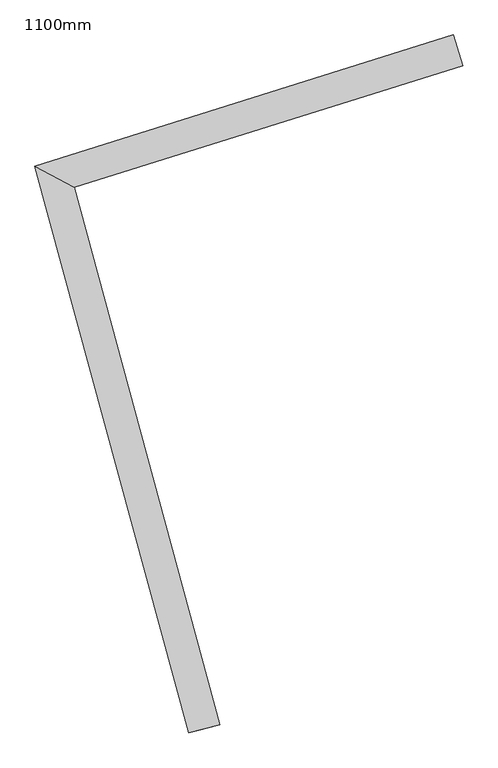
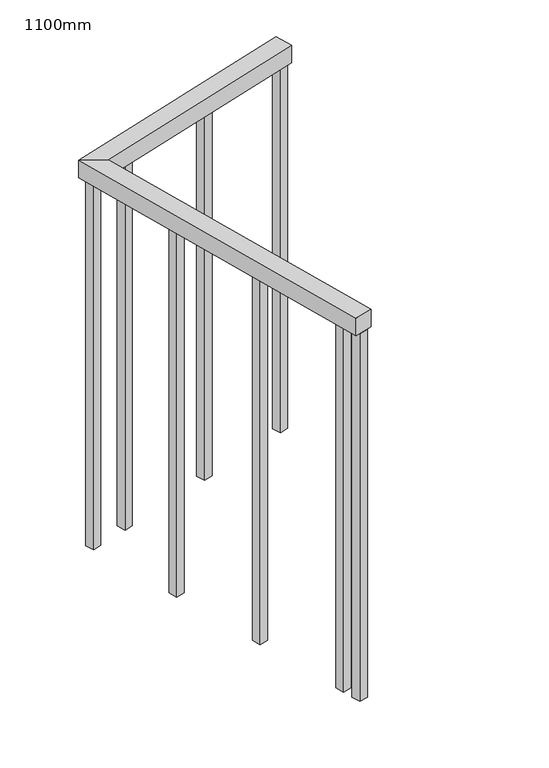
"""IFC4 building model written with IfcOpenShell, lengths in millimetres: railing geometry, 1100mm."""

import ifcopenshell
import ifcopenshell.guid

model = None  # the IFC model being written
_history = None  # IfcOwnerHistory: only IFC2X3 demands one
_inside = {}  # id of a spatial element -> (the spatial element, [elements in it])
_under = {}  # id of a project, library or spatial element -> (it, [spatial elements below it])
_declared = {}  # id of a project -> (the project, [libraries it declares])
_typed = {}  # id of a type object -> (the type object, [elements of that type])
_made_of = {}  # id of a material, layer set ... -> (it, [elements and type objects made of it])


def new_model(schema):
    """Start an empty IFC model of exactly this schema.

    Asked for "IFC4X3", IfcOpenShell would pick the latest addendum, in which some entities
    have other attributes; the version numbers below select the first issue.
    IFC2X3 requires an IfcOwnerHistory on every rooted entity: one is made here for all.
    """
    global model, _history
    if schema == "IFC4X3":
        model = ifcopenshell.file(schema_version=(4, 3, 0, 0))
    else:
        model = ifcopenshell.file(schema=schema)
    _inside.clear()
    _under.clear()
    _declared.clear()
    _typed.clear()
    _made_of.clear()
    _history = None
    if model.schema == "IFC2X3":
        org = make("IfcOrganization", Name="unknown")
        user = make(
            "IfcPersonAndOrganization",
            ThePerson=make("IfcPerson", FamilyName="unknown"),
            TheOrganization=org,
        )
        app = make(
            "IfcApplication",
            ApplicationDeveloper=org,
            Version="unknown",
            ApplicationFullName="unknown",
            ApplicationIdentifier="unknown",
        )
        _history = make(
            "IfcOwnerHistory",
            OwningUser=user,
            OwningApplication=app,
            ChangeAction="ADDED",
            CreationDate=0,
        )
    return model


def make(cls, **values):
    """One entity of the class cls with the attributes given. An attribute that is None is left unset."""
    return model.create_entity(
        cls, **{name: value for name, value in values.items() if value is not None}
    )


def rooted(cls, **values):
    """An entity with a GlobalId (a new one), such as an element, a storey or a relation."""
    return make(cls, GlobalId=ifcopenshell.guid.new(), OwnerHistory=_history, **values)


def si_unit(unit_type, name, prefix=None):
    """IfcSIUnit, for example si_unit("LENGTHUNIT", "METRE", prefix="MILLI")."""
    return make("IfcSIUnit", UnitType=unit_type, Prefix=prefix, Name=name)


def assignment(units):
    """IfcUnitAssignment: the units of a project."""
    return None if units is None else make("IfcUnitAssignment", Units=units)


def point(xyz):
    """IfcCartesianPoint."""
    return None if xyz is None else make("IfcCartesianPoint", Coordinates=xyz)


def direction(xyz):
    """IfcDirection."""
    return None if xyz is None else make("IfcDirection", DirectionRatios=xyz)


def frame(location, z_axis=None, x_axis=None):
    """IfcAxis2Placement3D, a coordinate frame: its origin and axes. An axis left out is left unset."""
    return make(
        "IfcAxis2Placement3D",
        Location=point(location),
        Axis=direction(z_axis),
        RefDirection=direction(x_axis),
    )


def origin():
    """The frame at (0, 0, 0) with its axes left unset."""
    return frame((0.0, 0.0, 0.0))


def place(relative_to, where):
    """IfcLocalPlacement: puts the frame where relative to a parent placement (None: the world)."""
    return make(
        "IfcLocalPlacement", PlacementRelTo=relative_to, RelativePlacement=where
    )


def context(
    kind, dimensions, precision=None, world=None, true_north=None, identifier=None
):
    """IfcGeometricRepresentationContext, for example the 3D "Model" context."""
    return make(
        "IfcGeometricRepresentationContext",
        ContextIdentifier=identifier,
        ContextType=kind,
        CoordinateSpaceDimension=dimensions,
        Precision=precision,
        WorldCoordinateSystem=world,
        TrueNorth=true_north,
    )


def project(units=None, contexts=None):
    """IfcProject with its units and contexts."""
    return rooted(
        "IfcProject",
        Name="project",
        RepresentationContexts=contexts,
        UnitsInContext=assignment(units),
    )


def spatial(cls, under=None, at=None, **own):
    """A site, building, storey or space (cls), placed at a placement, below another one or the project."""
    s = rooted(cls, ObjectPlacement=at, **own)
    if under is not None:
        _under.setdefault(under.id(), (under, []))[1].append(s)
    return s


def polyline(points):
    """IfcPolyline through the points."""
    return make("IfcPolyline", Points=[point(p) for p in points])


def outline(outer, holes=None, kind="AREA"):
    """IfcArbitraryClosedProfileDef: a profile drawn as a closed curve; with holes, ...WithVoids."""
    if holes is None:
        return make("IfcArbitraryClosedProfileDef", ProfileType=kind, OuterCurve=outer)
    return make(
        "IfcArbitraryProfileDefWithVoids",
        ProfileType=kind,
        OuterCurve=outer,
        InnerCurves=holes,
    )


def extrude(swept, where, along, depth):
    """IfcExtrudedAreaSolid: the profile swept, set in the frame where, extruded along a direction by depth."""
    return make(
        "IfcExtrudedAreaSolid",
        SweptArea=swept,
        Position=where,
        ExtrudedDirection=direction(along),
        Depth=depth,
    )


def faces_of(points, faces, orient=None, outer=None):
    """IfcFace entities. A face is a list of loops; a loop is a list of indices into points, from 0.

    orient and outer hold one flag for each loop. By default every Orientation is true, the
    first loop of a face is its IfcFaceOuterBound and the others are IfcFaceBound.
    """
    made = []
    for i, loops in enumerate(faces):
        bounds = []
        for j, loop in enumerate(loops):
            is_outer = j == 0 if outer is None else outer[i][j]
            bounds.append(
                make(
                    "IfcFaceOuterBound" if is_outer else "IfcFaceBound",
                    Bound=make("IfcPolyLoop", Polygon=[points[k] for k in loop]),
                    Orientation=True if orient is None else orient[i][j],
                )
            )
        made.append(make("IfcFace", Bounds=bounds))
    return made


def faceted_brep(points, faces, orient=None, outer=None, voids=None):
    """IfcFacetedBrep: a solid bounded by flat faces; with voids (closed shells), ...WithVoids."""
    shared = [point(p) for p in points]
    hull = make("IfcClosedShell", CfsFaces=faces_of(shared, faces, orient, outer))
    if voids is None:
        return make("IfcFacetedBrep", Outer=hull)
    return make(
        "IfcFacetedBrepWithVoids",
        Outer=hull,
        Voids=[
            make(cls, CfsFaces=faces_of(shared, fs, o, b)) for cls, fs, o, b in voids
        ],
    )


def shape(context_of_items, identifier, shape_type, items):
    """IfcShapeRepresentation: the items that make up one representation, for example the "Body"."""
    return make(
        "IfcShapeRepresentation",
        ContextOfItems=context_of_items,
        RepresentationIdentifier=identifier,
        RepresentationType=shape_type,
        Items=items,
    )


def source(mapping_origin, context_of_items, identifier, shape_type, items):
    """IfcRepresentationMap: a shape defined once, which mapped items show again and again."""
    return make(
        "IfcRepresentationMap",
        MappingOrigin=mapping_origin,
        MappedRepresentation=shape(context_of_items, identifier, shape_type, items),
    )


def transform(
    local_origin,
    x_axis=None,
    y_axis=None,
    z_axis=None,
    scale=None,
    scale2=None,
    scale3=None,
    uniform=True,
):
    """IfcCartesianTransformationOperator3D, or its non-uniform kind. x_axis, y_axis, z_axis: its Axis1, 2, 3."""
    if uniform:
        return make(
            "IfcCartesianTransformationOperator3D",
            Axis1=direction(x_axis),
            Axis2=direction(y_axis),
            LocalOrigin=point(local_origin),
            Scale=scale,
            Axis3=direction(z_axis),
        )
    return make(
        "IfcCartesianTransformationOperator3DnonUniform",
        Axis1=direction(x_axis),
        Axis2=direction(y_axis),
        LocalOrigin=point(local_origin),
        Scale=scale,
        Axis3=direction(z_axis),
        Scale2=scale2,
        Scale3=scale3,
    )


def mapped(mapping_source, mapping_target):
    """IfcMappedItem: shows the shape of a source again, moved by a transform."""
    return make(
        "IfcMappedItem", MappingSource=mapping_source, MappingTarget=mapping_target
    )


def made_of(thing, what):
    """Note that an element or type object is made of a material, layer set ...; save() writes the relation."""
    if what is not None:
        _made_of.setdefault(what.id(), (what, []))[1].append(thing)
    return thing


def element(
    cls,
    number,
    at=None,
    inside=None,
    cuts=None,
    type_object=None,
    material=None,
    context=None,
    identifier="Body",
    shape_type=None,
    held_by="IfcProductDefinitionShape",
    body=None,
    shapes=None,
    **own,
):
    """One element of the class cls, such as IfcWall. Its Tag is "e" and its number.

    at: its placement. inside: the storey or other place that contains it. cuts: it is an
    opening in that element (IfcRelVoidsElement). A single representation is given by context,
    identifier, shape_type and body (its items); several are given by shapes. held_by: the class
    of the entity that holds the representations. save() writes the other relations.
    """
    e = rooted(cls, Tag="e%d" % number, ObjectPlacement=at, **own)
    if body is not None:
        shapes = [shape(context, identifier, shape_type, body)]
    if shapes is not None:
        e.Representation = make(held_by, Representations=shapes)
    if inside is not None:
        _inside.setdefault(inside.id(), (inside, []))[1].append(e)
    if cuts is not None:
        rooted(
            "IfcRelVoidsElement", RelatingBuildingElement=cuts, RelatedOpeningElement=e
        )
    if type_object is not None:
        _typed.setdefault(type_object.id(), (type_object, []))[1].append(e)
    return made_of(e, material)


def aggregate(whole, parts):
    """IfcRelAggregates: a whole, such as a stair, and the parts it consists of."""
    return rooted("IfcRelAggregates", RelatingObject=whole, RelatedObjects=parts)


def save(model, path):
    """Write the relations noted so far, then the file.

    IfcRelAggregates (storeys below a building ...), IfcRelContainedInSpatialStructure (elements
    in a storey), IfcRelDefinesByType, IfcRelAssociatesMaterial and IfcRelDeclares: one each for
    every whole, place, type object, material and project.
    """
    for whole, parts in _under.values():
        aggregate(whole, parts)
    for where, things in _inside.values():
        rooted(
            "IfcRelContainedInSpatialStructure",
            RelatedElements=things,
            RelatingStructure=where,
        )
    for kind, things in _typed.values():
        rooted("IfcRelDefinesByType", RelatedObjects=things, RelatingType=kind)
    for what, things in _made_of.values():
        rooted("IfcRelAssociatesMaterial", RelatedObjects=things, RelatingMaterial=what)
    for by, libraries in _declared.values():
        rooted("IfcRelDeclares", RelatingContext=by, RelatedDefinitions=libraries)
    model.write(path)


def railing_1100mm_f142ea74(model_context):
    return source(origin(), model_context, "Body", "SolidModel", [
        faceted_brep([(110052.5388707, 19744.6587082, 1700.0), (110052.5388707, 19744.6587082, 1650.0), (110037.5769767, 19792.3676353, 1650.0), (110037.5769767, 19792.3676353, 1700.0), (109386.3332835, 19588.132502, 1700.0), (109447.2017593, 19554.8202392, 1700.0), (109386.3332835, 19588.132502, 1650.0), (109447.2017593, 19554.8202392, 1650.0), (109674.4984482, 18718.5707795, 1700.0), (109626.2489776, 18705.4563377, 1700.0), (109626.2489776, 18705.4563377, 1650.0), (109674.4984482, 18718.5707795, 1650.0)], [[[0, 1, 2, 3]], [[0, 3, 4, 5]], [[3, 2, 6, 4]], [[2, 1, 7, 6]], [[1, 0, 5, 7]], [[8, 9, 10, 11]], [[5, 4, 9, 8]], [[4, 6, 10, 9]], [[6, 7, 11, 10]], [[7, 5, 8, 11]]]),
        extrude(outline(polyline([(109641.9395692, 18790.7010835), (109648.4967901, 18766.5763482), (109624.3720548, 18760.0191273), (109617.8148339, 18784.1438626), (109641.9395692, 18790.7010835)])), frame((0.0, 0.0, 600.0), z_axis=(0.0, 0.0, 1.0), x_axis=(1.0, 0.0, 0.0)), (0.0, 0.0, 1.0), 1050.0),
        extrude(outline(polyline([(109569.810139, 19056.0731719), (109576.3673599, 19031.9484366), (109552.2426246, 19025.3912157), (109545.6854037, 19049.515951), (109569.810139, 19056.0731719)])), frame((0.0, 0.0, 600.0), z_axis=(0.0, 0.0, 1.0), x_axis=(1.0, 0.0, 0.0)), (0.0, 0.0, 1.0), 1050.0),
        extrude(outline(polyline([(109497.6807088, 19321.4452603), (109504.2379297, 19297.320525), (109480.1131944, 19290.7633041), (109473.5559735, 19314.8880394), (109497.6807088, 19321.4452603)])), frame((0.0, 0.0, 600.0), z_axis=(0.0, 0.0, 1.0), x_axis=(1.0, 0.0, 0.0)), (0.0, 0.0, 1.0), 1050.0),
        extrude(outline(polyline([(109535.9274305, 19595.7455796), (109512.0729669, 19588.2646326), (109504.5920199, 19612.1190962), (109528.4464835, 19619.6000432), (109535.9274305, 19595.7455796)])), frame((0.0, 0.0, 600.0), z_axis=(0.0, 0.0, 1.0), x_axis=(1.0, 0.0, 0.0)), (0.0, 0.0, 1.0), 1050.0),
        extrude(outline(polyline([(109798.3265297, 19678.0359966), (109774.4720661, 19670.5550496), (109766.9911191, 19694.4095131), (109790.8455827, 19701.8904601), (109798.3265297, 19678.0359966)])), frame((0.0, 0.0, 600.0), z_axis=(0.0, 0.0, 1.0), x_axis=(1.0, 0.0, 0.0)), (0.0, 0.0, 1.0), 1050.0),
        extrude(outline(polyline([(109432.4352267, 19563.2896123), (109408.5807631, 19555.8086653), (109401.0998161, 19579.6631289), (109424.9542797, 19587.1440759), (109432.4352267, 19563.2896123)])), frame((0.0, 0.0, 600.0), z_axis=(0.0, 0.0, 1.0), x_axis=(1.0, 0.0, 0.0)), (0.0, 0.0, 1.0), 1050.0),
        extrude(outline(polyline([(109655.8788596, 18739.4169044), (109662.4360805, 18715.2921691), (109638.3113452, 18708.7349482), (109631.7541243, 18732.8596835), (109655.8788596, 18739.4169044)])), frame((0.0, 0.0, 600.0), z_axis=(0.0, 0.0, 1.0), x_axis=(1.0, 0.0, 0.0)), (0.0, 0.0, 1.0), 1050.0),
        extrude(outline(polyline([(110048.7983972, 19756.58594), (110024.9439336, 19749.104993), (110017.4629866, 19772.9594566), (110041.3174502, 19780.4404035), (110048.7983972, 19756.58594)])), frame((0.0, 0.0, 600.0), z_axis=(0.0, 0.0, 1.0), x_axis=(1.0, 0.0, 0.0)), (0.0, 0.0, 1.0), 1050.0),
    ])


if __name__ == "__main__":
    model = new_model("IFC4")
    model_context = context("Model", 3, world=origin())
    ifc_project = project(units=[si_unit("LENGTHUNIT", "METRE", prefix="MILLI")], contexts=[model_context])
    site = spatial("IfcSite", under=ifc_project)
    building = spatial("IfcBuilding", under=site)
    placement = place(None, origin())
    railing_1100mm_shape = railing_1100mm_f142ea74(model_context)
    element("IfcRailing", 1, ObjectType="1100mm", at=placement, inside=building, context=model_context, shape_type="MappedRepresentation", body=[
        mapped(railing_1100mm_shape, transform((0.0, 0.0, 0.0), x_axis=(1.0, 0.0, 0.0), y_axis=(0.0, 1.0, 0.0), z_axis=(0.0, 0.0, 1.0))),
    ])
    save(model, "model.ifc")
